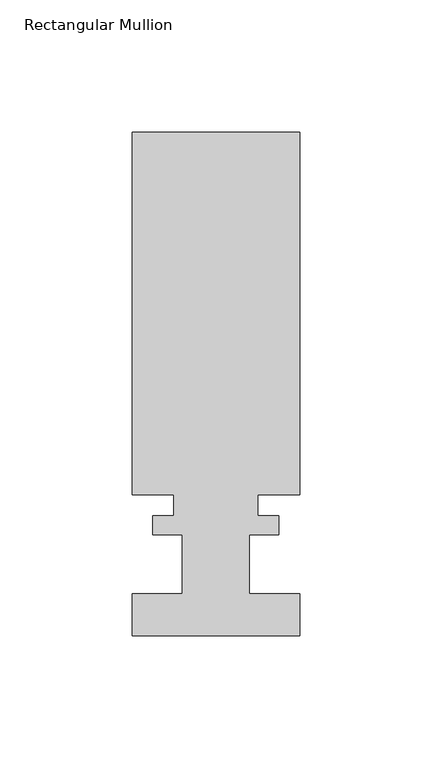
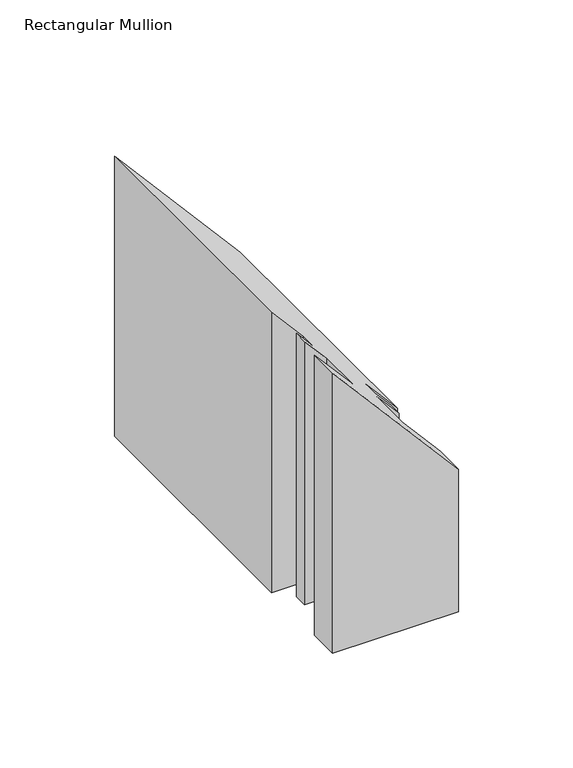
"""IFC4 building model written with IfcOpenShell, lengths in millimetres: member geometry, Rectangular Mullion."""

import ifcopenshell
import ifcopenshell.guid

model = None  # the IFC model being written
_history = None  # IfcOwnerHistory: only IFC2X3 demands one
_inside = {}  # id of a spatial element -> (the spatial element, [elements in it])
_under = {}  # id of a project, library or spatial element -> (it, [spatial elements below it])
_declared = {}  # id of a project -> (the project, [libraries it declares])
_typed = {}  # id of a type object -> (the type object, [elements of that type])
_made_of = {}  # id of a material, layer set ... -> (it, [elements and type objects made of it])


def new_model(schema):
    """Start an empty IFC model of exactly this schema.

    Asked for "IFC4X3", IfcOpenShell would pick the latest addendum, in which some entities
    have other attributes; the version numbers below select the first issue.
    IFC2X3 requires an IfcOwnerHistory on every rooted entity: one is made here for all.
    """
    global model, _history
    if schema == "IFC4X3":
        model = ifcopenshell.file(schema_version=(4, 3, 0, 0))
    else:
        model = ifcopenshell.file(schema=schema)
    _inside.clear()
    _under.clear()
    _declared.clear()
    _typed.clear()
    _made_of.clear()
    _history = None
    if model.schema == "IFC2X3":
        org = make("IfcOrganization", Name="unknown")
        user = make(
            "IfcPersonAndOrganization",
            ThePerson=make("IfcPerson", FamilyName="unknown"),
            TheOrganization=org,
        )
        app = make(
            "IfcApplication",
            ApplicationDeveloper=org,
            Version="unknown",
            ApplicationFullName="unknown",
            ApplicationIdentifier="unknown",
        )
        _history = make(
            "IfcOwnerHistory",
            OwningUser=user,
            OwningApplication=app,
            ChangeAction="ADDED",
            CreationDate=0,
        )
    return model


def make(cls, **values):
    """One entity of the class cls with the attributes given. An attribute that is None is left unset."""
    return model.create_entity(
        cls, **{name: value for name, value in values.items() if value is not None}
    )


def rooted(cls, **values):
    """An entity with a GlobalId (a new one), such as an element, a storey or a relation."""
    return make(cls, GlobalId=ifcopenshell.guid.new(), OwnerHistory=_history, **values)


def si_unit(unit_type, name, prefix=None):
    """IfcSIUnit, for example si_unit("LENGTHUNIT", "METRE", prefix="MILLI")."""
    return make("IfcSIUnit", UnitType=unit_type, Prefix=prefix, Name=name)


def assignment(units):
    """IfcUnitAssignment: the units of a project."""
    return None if units is None else make("IfcUnitAssignment", Units=units)


def point(xyz):
    """IfcCartesianPoint."""
    return None if xyz is None else make("IfcCartesianPoint", Coordinates=xyz)


def direction(xyz):
    """IfcDirection."""
    return None if xyz is None else make("IfcDirection", DirectionRatios=xyz)


def frame(location, z_axis=None, x_axis=None):
    """IfcAxis2Placement3D, a coordinate frame: its origin and axes. An axis left out is left unset."""
    return make(
        "IfcAxis2Placement3D",
        Location=point(location),
        Axis=direction(z_axis),
        RefDirection=direction(x_axis),
    )


def origin():
    """The frame at (0, 0, 0) with its axes left unset."""
    return frame((0.0, 0.0, 0.0))


def place(relative_to, where):
    """IfcLocalPlacement: puts the frame where relative to a parent placement (None: the world)."""
    return make(
        "IfcLocalPlacement", PlacementRelTo=relative_to, RelativePlacement=where
    )


def context(
    kind, dimensions, precision=None, world=None, true_north=None, identifier=None
):
    """IfcGeometricRepresentationContext, for example the 3D "Model" context."""
    return make(
        "IfcGeometricRepresentationContext",
        ContextIdentifier=identifier,
        ContextType=kind,
        CoordinateSpaceDimension=dimensions,
        Precision=precision,
        WorldCoordinateSystem=world,
        TrueNorth=true_north,
    )


def project(units=None, contexts=None):
    """IfcProject with its units and contexts."""
    return rooted(
        "IfcProject",
        Name="project",
        RepresentationContexts=contexts,
        UnitsInContext=assignment(units),
    )


def spatial(cls, under=None, at=None, **own):
    """A site, building, storey or space (cls), placed at a placement, below another one or the project."""
    s = rooted(cls, ObjectPlacement=at, **own)
    if under is not None:
        _under.setdefault(under.id(), (under, []))[1].append(s)
    return s


def faces_of(points, faces, orient=None, outer=None):
    """IfcFace entities. A face is a list of loops; a loop is a list of indices into points, from 0.

    orient and outer hold one flag for each loop. By default every Orientation is true, the
    first loop of a face is its IfcFaceOuterBound and the others are IfcFaceBound.
    """
    made = []
    for i, loops in enumerate(faces):
        bounds = []
        for j, loop in enumerate(loops):
            is_outer = j == 0 if outer is None else outer[i][j]
            bounds.append(
                make(
                    "IfcFaceOuterBound" if is_outer else "IfcFaceBound",
                    Bound=make("IfcPolyLoop", Polygon=[points[k] for k in loop]),
                    Orientation=True if orient is None else orient[i][j],
                )
            )
        made.append(make("IfcFace", Bounds=bounds))
    return made


def faceted_brep(points, faces, orient=None, outer=None, voids=None):
    """IfcFacetedBrep: a solid bounded by flat faces; with voids (closed shells), ...WithVoids."""
    shared = [point(p) for p in points]
    hull = make("IfcClosedShell", CfsFaces=faces_of(shared, faces, orient, outer))
    if voids is None:
        return make("IfcFacetedBrep", Outer=hull)
    return make(
        "IfcFacetedBrepWithVoids",
        Outer=hull,
        Voids=[
            make(cls, CfsFaces=faces_of(shared, fs, o, b)) for cls, fs, o, b in voids
        ],
    )


def shape(context_of_items, identifier, shape_type, items):
    """IfcShapeRepresentation: the items that make up one representation, for example the "Body"."""
    return make(
        "IfcShapeRepresentation",
        ContextOfItems=context_of_items,
        RepresentationIdentifier=identifier,
        RepresentationType=shape_type,
        Items=items,
    )


def source(mapping_origin, context_of_items, identifier, shape_type, items):
    """IfcRepresentationMap: a shape defined once, which mapped items show again and again."""
    return make(
        "IfcRepresentationMap",
        MappingOrigin=mapping_origin,
        MappedRepresentation=shape(context_of_items, identifier, shape_type, items),
    )


def transform(
    local_origin,
    x_axis=None,
    y_axis=None,
    z_axis=None,
    scale=None,
    scale2=None,
    scale3=None,
    uniform=True,
):
    """IfcCartesianTransformationOperator3D, or its non-uniform kind. x_axis, y_axis, z_axis: its Axis1, 2, 3."""
    if uniform:
        return make(
            "IfcCartesianTransformationOperator3D",
            Axis1=direction(x_axis),
            Axis2=direction(y_axis),
            LocalOrigin=point(local_origin),
            Scale=scale,
            Axis3=direction(z_axis),
        )
    return make(
        "IfcCartesianTransformationOperator3DnonUniform",
        Axis1=direction(x_axis),
        Axis2=direction(y_axis),
        LocalOrigin=point(local_origin),
        Scale=scale,
        Axis3=direction(z_axis),
        Scale2=scale2,
        Scale3=scale3,
    )


def mapped(mapping_source, mapping_target):
    """IfcMappedItem: shows the shape of a source again, moved by a transform."""
    return make(
        "IfcMappedItem", MappingSource=mapping_source, MappingTarget=mapping_target
    )


def made_of(thing, what):
    """Note that an element or type object is made of a material, layer set ...; save() writes the relation."""
    if what is not None:
        _made_of.setdefault(what.id(), (what, []))[1].append(thing)
    return thing


def element(
    cls,
    number,
    at=None,
    inside=None,
    cuts=None,
    type_object=None,
    material=None,
    context=None,
    identifier="Body",
    shape_type=None,
    held_by="IfcProductDefinitionShape",
    body=None,
    shapes=None,
    **own,
):
    """One element of the class cls, such as IfcWall. Its Tag is "e" and its number.

    at: its placement. inside: the storey or other place that contains it. cuts: it is an
    opening in that element (IfcRelVoidsElement). A single representation is given by context,
    identifier, shape_type and body (its items); several are given by shapes. held_by: the class
    of the entity that holds the representations. save() writes the other relations.
    """
    e = rooted(cls, Tag="e%d" % number, ObjectPlacement=at, **own)
    if body is not None:
        shapes = [shape(context, identifier, shape_type, body)]
    if shapes is not None:
        e.Representation = make(held_by, Representations=shapes)
    if inside is not None:
        _inside.setdefault(inside.id(), (inside, []))[1].append(e)
    if cuts is not None:
        rooted(
            "IfcRelVoidsElement", RelatingBuildingElement=cuts, RelatedOpeningElement=e
        )
    if type_object is not None:
        _typed.setdefault(type_object.id(), (type_object, []))[1].append(e)
    return made_of(e, material)


def aggregate(whole, parts):
    """IfcRelAggregates: a whole, such as a stair, and the parts it consists of."""
    return rooted("IfcRelAggregates", RelatingObject=whole, RelatedObjects=parts)


def save(model, path):
    """Write the relations noted so far, then the file.

    IfcRelAggregates (storeys below a building ...), IfcRelContainedInSpatialStructure (elements
    in a storey), IfcRelDefinesByType, IfcRelAssociatesMaterial and IfcRelDeclares: one each for
    every whole, place, type object, material and project.
    """
    for whole, parts in _under.values():
        aggregate(whole, parts)
    for where, things in _inside.values():
        rooted(
            "IfcRelContainedInSpatialStructure",
            RelatedElements=things,
            RelatingStructure=where,
        )
    for kind, things in _typed.values():
        rooted("IfcRelDefinesByType", RelatedObjects=things, RelatingType=kind)
    for what, things in _made_of.values():
        rooted("IfcRelAssociatesMaterial", RelatedObjects=things, RelatingMaterial=what)
    for by, libraries in _declared.values():
        rooted("IfcRelDeclares", RelatingContext=by, RelatedDefinitions=libraries)
    model.write(path)


def rectangular_mullion_adaa88b1(model_context):
    return source(origin(), model_context, "Body", "Brep", [
        faceted_brep([(-31.75, -0.0555625, -282.9163446), (-31.75, 15.8194375, -282.9163446), (-12.7, 15.8194375, -282.9163446), (-12.7, 38.2984375, -282.9163446), (-23.8252, 38.2984375, -282.9163446), (-23.8252, 45.4612375, -282.9163446), (-15.875, 45.4612375, -282.9163446), (-15.875, 53.3606375, -282.9163446), (-31.75, 53.3606375, -282.9163446), (-31.75, 190.6984375, -282.9163446), (31.75, 190.6984375, -282.9163446), (31.75, 53.3606375, -282.9163446), (15.875, 53.3606375, -282.9163446), (15.875, 45.4612375, -282.9163446), (23.8252, 45.4612375, -282.9163446), (23.8252, 38.2984375, -282.9163446), (12.7, 38.2984375, -282.9163446), (12.7, 15.8194375, -282.9163446), (31.75, 15.8194375, -282.9163446), (31.75, -0.0555625, -282.9163446), (31.75, -0.0555625, -206.8518957), (-31.75, -0.0555625, -133.5284115), (31.75, 15.8194375, -206.8518957), (12.7, 15.8194375, -184.8548505), (12.7, 38.2984375, -184.8548505), (23.8252, 38.2984375, -197.7011249), (23.8252, 45.4612375, -197.7011249), (15.875, 45.4612375, -188.5210247), (15.875, 53.3606375, -188.5210247), (31.75, 53.3606375, -206.8518957), (31.75, 190.6984375, -206.8518957), (-31.75, 190.6984375, -133.5284115), (-31.75, 53.3606375, -133.5284115), (-15.875, 53.3606375, -151.8592826), (-15.875, 45.4612375, -151.8592826), (-23.8252, 45.4612375, -142.6791823), (-23.8252, 38.2984375, -142.6791823), (-12.7, 38.2984375, -155.5254568), (-12.7, 15.8194375, -155.5254568), (-31.75, 15.8194375, -133.5284115)], [[[0, 1, 2, 3, 4, 5, 6, 7, 8, 9, 10, 11, 12, 13, 14, 15, 16, 17, 18, 19]], [[20, 21, 0, 19]], [[22, 20, 19, 18]], [[23, 22, 18, 17]], [[24, 23, 17, 16]], [[25, 24, 16, 15]], [[26, 25, 15, 14]], [[27, 26, 14, 13]], [[28, 27, 13, 12]], [[29, 28, 12, 11]], [[30, 29, 11, 10]], [[31, 30, 10, 9]], [[32, 31, 9, 8]], [[33, 32, 8, 7]], [[34, 33, 7, 6]], [[35, 34, 6, 5]], [[36, 35, 5, 4]], [[37, 36, 4, 3]], [[38, 37, 3, 2]], [[39, 38, 2, 1]], [[21, 39, 1, 0]], [[21, 20, 22, 23, 24, 25, 26, 27, 28, 29, 30, 31, 32, 33, 34, 35, 36, 37, 38, 39]]]),
    ])


if __name__ == "__main__":
    model = new_model("IFC4")
    model_context = context("Model", 3, world=origin())
    ifc_project = project(units=[si_unit("LENGTHUNIT", "METRE", prefix="MILLI")], contexts=[model_context])
    site = spatial("IfcSite", under=ifc_project)
    building = spatial("IfcBuilding", under=site)
    placement = place(None, origin())
    rectangular_mullion_shape = rectangular_mullion_adaa88b1(model_context)
    element("IfcMember", 1, ObjectType="Rectangular Mullion", at=placement, inside=building, context=model_context, shape_type="MappedRepresentation", body=[
        mapped(rectangular_mullion_shape, transform((0.0, 0.0, 0.0), x_axis=(1.0, 0.0, 0.0), y_axis=(0.0, 1.0, 0.0), z_axis=(0.0, 0.0, 1.0))),
    ])
    save(model, "model.ifc")
